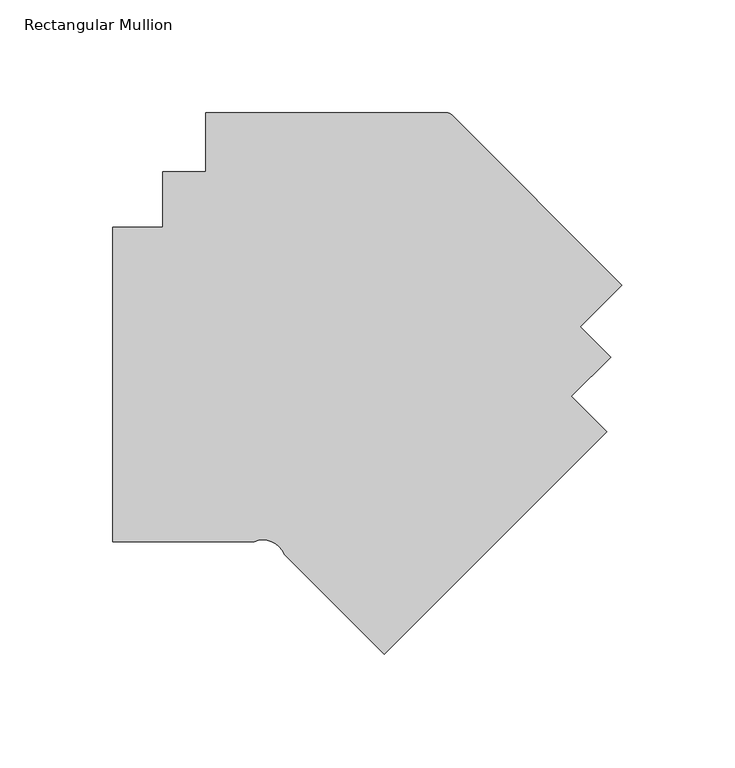
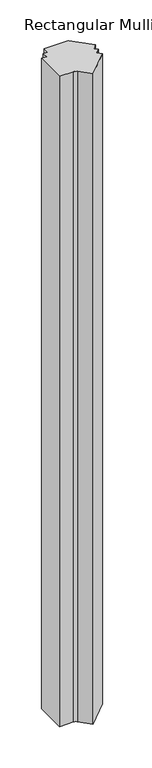
"""IFC4 building model written with IfcOpenShell, lengths in millimetres: member geometry, Rectangular Mullion."""

from ifc_helpers import new_model, si_unit, point, frame, frame_2d, origin, place, context, project, spatial, polyline, circle_curve, trimmed, segment, composite_curve, outline, extrude, source, transform, mapped, element, save


def rectangular_mullion_34973b74(model_context):
    return source(origin(), model_context, "Body", "SweptSolid", [
        extrude(outline(composite_curve([segment(polyline([(-163.3317471, -190.4999895), (-226.1144598, -190.4999895), (-226.1144598, -50.7999945), (-203.8894598, -50.7999945), (-203.8894598, -26.2372905), (-184.8392333, -26.1499811), (-184.8392333, 0.0), (-77.8780454, 0.0)]), True, "CONTINUOUS"), segment(trimmed(circle_curve(frame_2d((-77.8780454, -3.175)), 3.175), [point((-77.8780454, 0.0))], [point((-75.6329814, -0.929936))], False, "CARTESIAN"), True, "CONTINUOUS"), segment(polyline([(-75.6329814, -0.929936), (0.0, -76.5629174), (-18.552566, -95.1154834), (-5.0202846, -108.5242906), (-22.4504763, -125.9544822), (-6.7351081, -141.6698503), (-105.5179219, -240.4526641), (-149.9119237, -196.0586623)]), True, "CONTINUOUS"), segment(trimmed(circle_curve(frame_2d((-159.4391512, -200.080928)), 10.3415031), [point((-149.9119237, -196.0586623))], [point((-163.3317471, -190.4999895))], True, "CARTESIAN"), True, "CONTINUOUS")], self_intersect=False)), frame((0.0, 0.0, -3048.0), z_axis=(0.0, 0.0, 1.0), x_axis=(1.0, 0.0, 0.0)), (0.0, 0.0, 1.0), 3048.0),
    ])


if __name__ == "__main__":
    model = new_model("IFC4")
    model_context = context("Model", 3, world=origin())
    ifc_project = project(units=[si_unit("LENGTHUNIT", "METRE", prefix="MILLI")], contexts=[model_context])
    site = spatial("IfcSite", under=ifc_project)
    building = spatial("IfcBuilding", under=site)
    placement = place(None, origin())
    rectangular_mullion_shape = rectangular_mullion_34973b74(model_context)
    element("IfcMember", 1, ObjectType="Rectangular Mullion", at=placement, inside=building, context=model_context, shape_type="MappedRepresentation", body=[
        mapped(rectangular_mullion_shape, transform((0.0, 0.0, 0.0), x_axis=(1.0, 0.0, 0.0), y_axis=(0.0, 1.0, 0.0), z_axis=(0.0, 0.0, 1.0))),
    ])
    save(model, "model.ifc")
